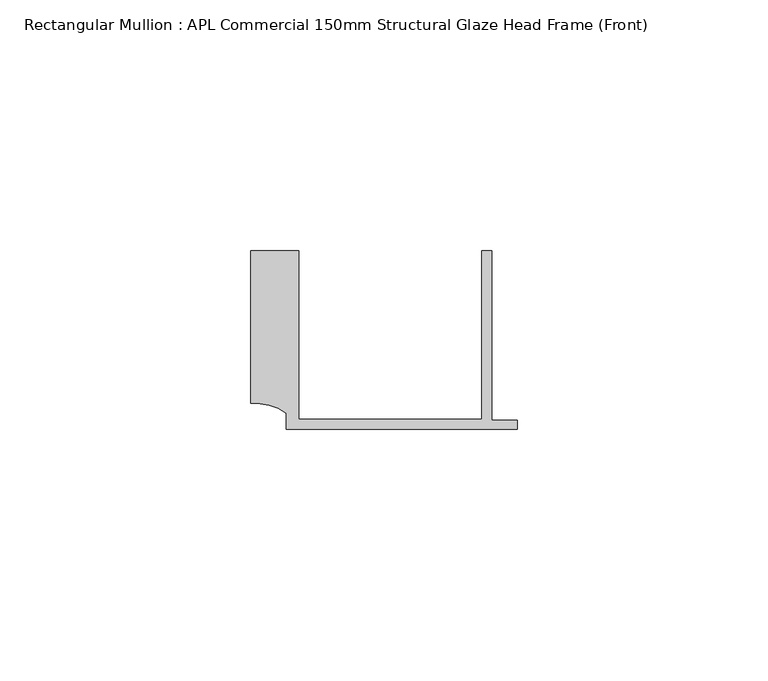
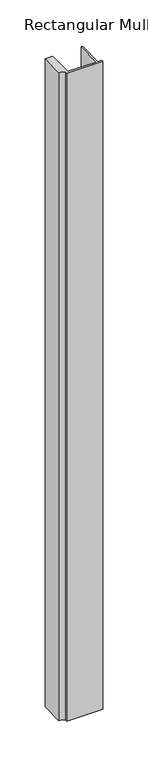
"""IFC4 building model written with IfcOpenShell, lengths in millimetres: member geometry, Rectangular Mullion : APL Commercial 150mm Structural Glaze Head Frame (Front)."""

from ifc_helpers import new_model, si_unit, point, frame, frame_2d, origin, place, context, project, spatial, polyline, circle_curve, trimmed, segment, composite_curve, outline, extrude, source, transform, mapped, element, save


def rectangular_mullion_apl_commercial_150mm_structural_glaze_9ce7d837(model_context):
    return source(origin(), model_context, "Body", "SweptSolid", [
        extrude(outline(composite_curve([segment(polyline([(-52.9999542, 15.0), (-43.5000151, 15.0), (-43.5000151, -18.5002486), (-7.0, -18.5002486), (-7.0, 15.0), (-5.0, 15.0), (-5.0, -18.7002486), (0.0, -18.7002486), (0.0, -20.5002486), (-45.9999994, -20.5002486), (-45.9999994, -17.3126154)]), True, "CONTINUOUS"), segment(trimmed(circle_curve(frame_2d((-52.109817, -25.7982641)), 10.4563907), [point((-45.9999994, -17.3126154))], [point((-52.9999542, -15.3798304))], True, "CARTESIAN"), True, "CONTINUOUS"), segment(polyline([(-52.9999542, -15.3798304), (-52.9999542, 15.0)]), True, "CONTINUOUS")], self_intersect=False)), frame((0.0, 0.0, -875.6849514), z_axis=(0.0, 0.0, 1.0), x_axis=(1.0, 0.0, 0.0)), (0.0, 0.0, 1.0), 875.6849514),
    ])


if __name__ == "__main__":
    model = new_model("IFC4")
    model_context = context("Model", 3, world=origin())
    ifc_project = project(units=[si_unit("LENGTHUNIT", "METRE", prefix="MILLI")], contexts=[model_context])
    site = spatial("IfcSite", under=ifc_project)
    building = spatial("IfcBuilding", under=site)
    placement = place(None, origin())
    rectangular_mullion_apl_commercial_150mm_structural_glaze_shape = rectangular_mullion_apl_commercial_150mm_structural_glaze_9ce7d837(model_context)
    element("IfcMember", 1, ObjectType="Rectangular Mullion : APL Commercial 150mm Structural Glaze Head Frame (Front)", at=placement, inside=building, context=model_context, shape_type="MappedRepresentation", body=[
        mapped(rectangular_mullion_apl_commercial_150mm_structural_glaze_shape, transform((0.0, 0.0, 0.0), x_axis=(1.0, 0.0, 0.0), y_axis=(0.0, 1.0, 0.0), z_axis=(0.0, 0.0, 1.0))),
    ])
    save(model, "model.ifc")
